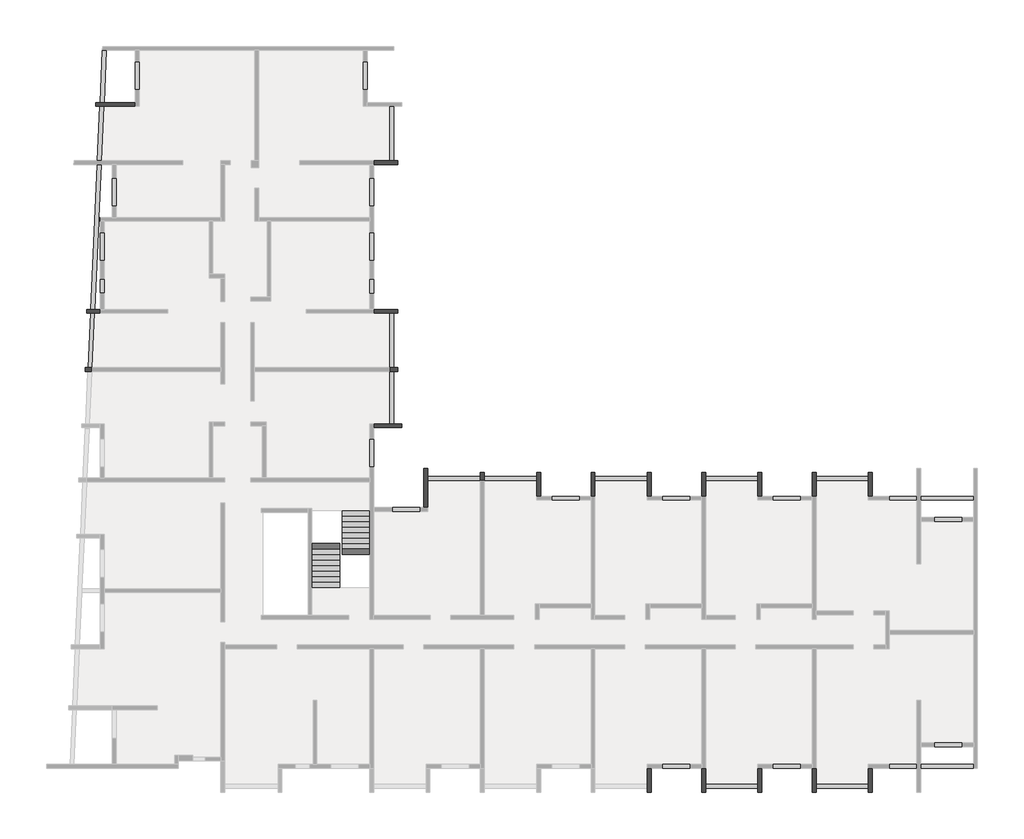
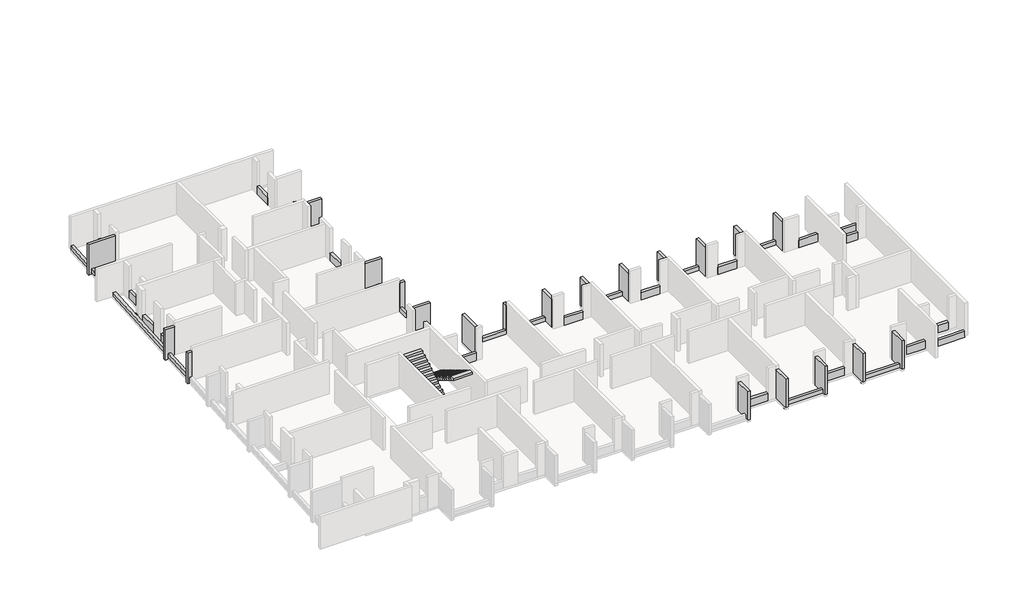
# One storey, part 4 of 4: 57 beams, 2 stair flights.
"""IFC4 building model written with IfcOpenShell, lengths in millimetres."""

from ifc_helpers import new_model, si_unit, frame, origin, place, context, project, spatial, polyline, outline, extrude, faceted_brep, element, save

model = new_model("IFC4")

# Units and contexts
model_context = context("Model", 3, world=origin())
ifc_project = project(units=[si_unit("LENGTHUNIT", "METRE", prefix="MILLI")], contexts=[model_context])

# Site, building, storey
site = spatial("IfcSite", under=ifc_project)
building = spatial("IfcBuilding", under=site)
storey = spatial("IfcBuildingStorey", under=building, Elevation=9760.0)

# Beams
placement = place(None, origin())
element("IfcBeam", 1, ObjectType="VI. 20/238", at=placement, inside=storey, context=model_context, shape_type="Brep", body=[
    faceted_brep([(-43135.6912908, 4000.9327501, 11990.0), (-43135.6912908, 4000.9327501, 9760.0), (-43135.6912908, 4000.9327501, 9610.0), (-43135.6912908, 4200.9327501, 9610.0), (-43135.6912908, 4200.9327501, 9760.0), (-43135.6912908, 4200.9327501, 11990.0), (-43830.6912908, 4000.9327501, 11990.0), (-43830.6912908, 4200.9327501, 11990.0), (-43830.6912908, 4200.9327501, 9610.0), (-43830.6912908, 4000.9327501, 9610.0)], [[[0, 1, 2, 3, 4, 5]], [[6, 7, 8, 9]], [[2, 1, 0, 6, 9]], [[3, 2, 9, 8]], [[5, 4, 3, 8, 7]], [[0, 5, 7, 6]]]),
])
element("IfcBeam", 2, ObjectType="VI. 20/238", at=placement, inside=storey, context=model_context, shape_type="Brep", body=[
    faceted_brep([(-3415.6912908, -5419.0672499, 11990.0), (-3615.6912908, -5419.0672499, 11990.0), (-3615.6912908, -5419.0672499, 9760.0), (-3415.6912908, -5419.0672499, 9760.0), (-3615.6912908, -4199.0672499, 11990.0), (-3415.6912908, -4199.0672499, 11990.0), (-3415.6912908, -4199.0672499, 9760.0), (-3615.6912908, -4199.0672499, 9760.0), (-3615.6912908, -4399.0672499, 9760.0), (-3615.6912908, -4599.0672499, 9760.0)], [[[0, 1, 2, 3]], [[4, 5, 6, 7]], [[1, 4, 7, 8, 9, 2]], [[5, 0, 3, 6]], [[1, 0, 5, 4]], [[3, 2, 9, 8, 7, 6]]]),
])
element("IfcBeam", 3, ObjectType="VI. 20/238", at=placement, inside=storey, context=model_context, shape_type="Brep", body=[
    faceted_brep([(-9105.6912908, -5419.0672499, 11990.0), (-9305.6912908, -5419.0672499, 11990.0), (-9305.6912908, -5419.0672499, 9760.0), (-9105.6912908, -5419.0672499, 9760.0), (-9305.6912908, -4199.0672499, 11990.0), (-9105.6912908, -4199.0672499, 11990.0), (-9105.6912908, -4199.0672499, 9760.0), (-9305.6912908, -4199.0672499, 9760.0), (-9305.6912908, -4399.0672499, 9760.0), (-9305.6912908, -4599.0672499, 9760.0)], [[[0, 1, 2, 3]], [[4, 5, 6, 7]], [[1, 4, 7, 8, 9, 2]], [[5, 0, 3, 6]], [[1, 0, 5, 4]], [[3, 2, 9, 8, 7, 6]]]),
])
element("IfcBeam", 4, ObjectType="VI. 20/238", at=placement, inside=storey, context=model_context, shape_type="Brep", body=[
    faceted_brep([(-20485.6912908, -5419.0672499, 11990.0), (-20685.6912908, -5419.0672499, 11990.0), (-20685.6912908, -5419.0672499, 9760.0), (-20485.6912908, -5419.0672499, 9760.0), (-20685.6912908, -4199.0672499, 11990.0), (-20485.6912908, -4199.0672499, 11990.0), (-20485.6912908, -4199.0672499, 9760.0), (-20685.6912908, -4199.0672499, 9760.0), (-20685.6912908, -4399.0672499, 9760.0), (-20685.6912908, -4399.0672499, 10060.0), (-20685.6912908, -4599.0672499, 10060.0), (-20685.6912908, -4599.0672499, 9760.0), (-20655.6912908, -4599.0672499, 10060.0), (-20655.6912908, -4399.0672499, 10060.0), (-20655.6912908, -4399.0672499, 9760.0), (-20655.6912908, -4599.0672499, 9760.0)], [[[0, 1, 2, 3]], [[4, 5, 6, 7]], [[1, 4, 7, 8, 9, 10, 11, 2]], [[5, 0, 3, 6]], [[1, 0, 5, 4]], [[12, 13, 14, 15]], [[10, 12, 15, 11]], [[13, 9, 8, 14]], [[13, 12, 10, 9]], [[3, 2, 11, 15, 14, 8, 7, 6]]]),
])
element("IfcBeam", 5, ObjectType="VI. 20/238", at=placement, inside=storey, context=model_context, shape_type="Brep", body=[
    faceted_brep([(-26495.6912908, -3999.0672499, 11990.0), (-26295.6912908, -3999.0672499, 11990.0), (-26295.6912908, -3999.0672499, 9760.0), (-26495.6912908, -3999.0672499, 9760.0), (-26295.6912908, -6004.0672499, 11990.0), (-26495.6912908, -6004.0672499, 11990.0), (-26495.6912908, -6004.0672499, 9760.0), (-26295.6912908, -6004.0672499, 9760.0), (-26295.6912908, -4599.0672499, 9760.0), (-26295.6912908, -4399.0672499, 9760.0)], [[[0, 1, 2, 3]], [[4, 5, 6, 7]], [[1, 4, 7, 8, 9, 2]], [[5, 0, 3, 6]], [[1, 0, 5, 4]], [[3, 2, 9, 8, 7, 6]]]),
])
element("IfcBeam", 6, ObjectType="VI. 20/238", at=placement, inside=storey, context=model_context, shape_type="Brep", body=[
    faceted_brep([(-14995.6912908, -4199.0672499, 11990.0), (-14795.6912908, -4199.0672499, 11990.0), (-14795.6912908, -4199.0672499, 9760.0), (-14995.6912908, -4199.0672499, 9760.0), (-14795.6912908, -5419.0672499, 11990.0), (-14995.6912908, -5419.0672499, 11990.0), (-14995.6912908, -5419.0672499, 9760.0), (-14795.6912908, -5419.0672499, 9760.0), (-14995.6912908, -4399.0672499, 9760.0), (-14995.6912908, -4399.0672499, 10060.0), (-14995.6912908, -4599.0672499, 10060.0), (-14995.6912908, -4599.0672499, 9760.0), (-14965.6912908, -4599.0672499, 10060.0), (-14965.6912908, -4399.0672499, 10060.0), (-14965.6912908, -4399.0672499, 9760.0), (-14965.6912908, -4599.0672499, 9760.0)], [[[0, 1, 2, 3]], [[4, 5, 6, 7]], [[1, 4, 7, 2]], [[5, 0, 3, 8, 9, 10, 11, 6]], [[1, 0, 5, 4]], [[12, 13, 14, 15]], [[10, 12, 15, 11]], [[13, 9, 8, 14]], [[13, 12, 10, 9]], [[3, 2, 7, 6, 11, 15, 14, 8]]]),
])
element("IfcBeam", 7, ObjectType="VI. 20/238", at=placement, inside=storey, context=model_context, shape_type="Brep", body=[
    faceted_brep([(-3615.6912908, -20669.0672499, 11990.0), (-3615.6912908, -20669.0672499, 9610.0), (-3415.6912908, -20669.0672499, 9610.0), (-3415.6912908, -20669.0672499, 11990.0), (-3615.6912908, -19419.0672499, 11990.0), (-3415.6912908, -19419.0672499, 11990.0), (-3415.6912908, -19419.0672499, 9760.0), (-3615.6912908, -19419.0672499, 9760.0), (-3615.6912908, -20249.0672499, 9760.0), (-3615.6912908, -20449.0672499, 9760.0), (-3615.6912908, -20449.0672499, 9610.0), (-3415.6912908, -20449.0672499, 9610.0), (-3415.6912908, -20449.0672499, 9760.0)], [[[0, 1, 2, 3]], [[4, 5, 6, 7]], [[1, 0, 4, 7, 8, 9, 10]], [[2, 1, 10, 11]], [[3, 2, 11, 12, 6, 5]], [[0, 3, 5, 4]], [[9, 12, 11, 10]], [[12, 9, 8, 7, 6]]]),
])
element("IfcBeam", 8, ObjectType="VI. 20/238", at=placement, inside=storey, context=model_context, shape_type="Brep", body=[
    faceted_brep([(-6505.6912908, -20669.0672499, 11990.0), (-6505.6912908, -20669.0672499, 9610.0), (-6305.6912908, -20669.0672499, 9610.0), (-6305.6912908, -20669.0672499, 11990.0), (-6505.6912908, -19419.0672499, 11990.0), (-6305.6912908, -19419.0672499, 11990.0), (-6305.6912908, -19419.0672499, 9760.0), (-6505.6912908, -19419.0672499, 9760.0), (-6505.6912908, -20449.0672499, 9760.0), (-6505.6912908, -20449.0672499, 9610.0), (-6305.6912908, -20449.0672499, 9610.0), (-6305.6912908, -20449.0672499, 9760.0), (-6305.6912908, -20249.0672499, 9760.0)], [[[0, 1, 2, 3]], [[4, 5, 6, 7]], [[1, 0, 4, 7, 8, 9]], [[2, 1, 9, 10]], [[3, 2, 10, 11, 12, 6, 5]], [[0, 3, 5, 4]], [[8, 11, 10, 9]], [[11, 8, 7, 6, 12]]]),
])
element("IfcBeam", 9, ObjectType="VI. 20/238", at=placement, inside=storey, context=model_context, shape_type="Brep", body=[
    faceted_brep([(-9305.6912908, -20669.0672499, 11990.0), (-9305.6912908, -20669.0672499, 9610.0), (-9105.6912908, -20669.0672499, 9610.0), (-9105.6912908, -20669.0672499, 11990.0), (-9305.6912908, -19419.0672499, 11990.0), (-9105.6912908, -19419.0672499, 11990.0), (-9105.6912908, -19419.0672499, 9760.0), (-9305.6912908, -19419.0672499, 9760.0), (-9305.6912908, -20249.0672499, 9760.0), (-9305.6912908, -20449.0672499, 9760.0), (-9305.6912908, -20449.0672499, 9610.0), (-9105.6912908, -20449.0672499, 9610.0), (-9105.6912908, -20449.0672499, 9760.0)], [[[0, 1, 2, 3]], [[4, 5, 6, 7]], [[1, 0, 4, 7, 8, 9, 10]], [[2, 1, 10, 11]], [[3, 2, 11, 12, 6, 5]], [[0, 3, 5, 4]], [[9, 12, 11, 10]], [[12, 9, 8, 7, 6]]]),
])
element("IfcBeam", 10, ObjectType="VI. 20/238", at=placement, inside=storey, context=model_context, shape_type="Brep", body=[
    faceted_brep([(-12195.6912908, -20669.0672499, 11990.0), (-12195.6912908, -20669.0672499, 9610.0), (-11995.6912908, -20669.0672499, 9610.0), (-11995.6912908, -20669.0672499, 11990.0), (-12195.6912908, -19419.0672499, 11990.0), (-11995.6912908, -19419.0672499, 11990.0), (-11995.6912908, -19419.0672499, 9760.0), (-12195.6912908, -19419.0672499, 9760.0), (-12195.6912908, -20449.0672499, 9760.0), (-12195.6912908, -20449.0672499, 9610.0), (-11995.6912908, -20449.0672499, 9610.0), (-11995.6912908, -20449.0672499, 9760.0), (-11995.6912908, -20249.0672499, 9760.0)], [[[0, 1, 2, 3]], [[4, 5, 6, 7]], [[1, 0, 4, 7, 8, 9]], [[2, 1, 9, 10]], [[3, 2, 10, 11, 12, 6, 5]], [[0, 3, 5, 4]], [[8, 11, 10, 9]], [[11, 8, 7, 6, 12]]]),
])
element("IfcBeam", 11, ObjectType="VI. 20/238", at=placement, inside=storey, context=model_context, shape_type="Brep", body=[
    faceted_brep([(-14995.6912908, -20669.0672499, 11990.0), (-14995.6912908, -20669.0672499, 9610.0), (-14795.6912908, -20669.0672499, 9610.0), (-14795.6912908, -20669.0672499, 11990.0), (-14995.6912908, -19419.0672499, 11990.0), (-14795.6912908, -19419.0672499, 11990.0), (-14795.6912908, -19419.0672499, 9760.0), (-14995.6912908, -19419.0672499, 9760.0), (-14995.6912908, -20249.0672499, 9760.0), (-14995.6912908, -20449.0672499, 9760.0), (-14995.6912908, -20449.0672499, 9610.0), (-14795.6912908, -20449.0672499, 9610.0), (-14795.6912908, -20449.0672499, 9760.0)], [[[0, 1, 2, 3]], [[4, 5, 6, 7]], [[1, 0, 4, 7, 8, 9, 10]], [[2, 1, 10, 11]], [[3, 2, 11, 12, 6, 5]], [[0, 3, 5, 4]], [[9, 12, 11, 10]], [[12, 9, 8, 7, 6]]]),
])
element("IfcBeam", 12, ObjectType="VI. 20/238", at=placement, inside=storey, context=model_context, shape_type="Brep", body=[
    faceted_brep([(-43355.6912908, 14650.9327501, 11990.0), (-43355.6912908, 14850.9327501, 11990.0), (-43355.6912908, 14850.9327501, 9610.0), (-43355.6912908, 14650.9327501, 9610.0), (-43152.5942526, 14650.9327501, 9610.0), (-43152.5942526, 14650.9327501, 9760.0), (-42952.3885608, 14650.9327501, 9760.0), (-41335.6912908, 14650.9327501, 9760.0), (-41335.6912908, 14650.9327501, 11990.0), (-43143.5212701, 14850.9327501, 9610.0), (-41335.6912908, 14850.9327501, 11990.0), (-41335.6912908, 14850.9327501, 9760.0), (-42943.3155784, 14850.9327501, 9760.0), (-43143.5212701, 14850.9327501, 9760.0)], [[[0, 1, 2, 3]], [[0, 3, 4, 5, 6, 7, 8]], [[3, 2, 9, 4]], [[2, 1, 10, 11, 12, 13, 9]], [[1, 0, 8, 10]], [[10, 8, 7, 11]], [[13, 5, 4, 9]], [[5, 13, 12, 11, 7, 6]]]),
])
element("IfcBeam", 13, ObjectType="VI. 20/238", at=placement, inside=storey, context=model_context, shape_type="Brep", body=[
    faceted_brep([(-27635.6912908, -1689.5482142, 11990.0), (-27635.6912908, -1889.5482142, 11990.0), (-27635.6912908, -1889.5482142, 9760.0), (-27635.6912908, -1689.5482142, 9760.0), (-29065.6912908, -1889.5482142, 11990.0), (-29065.6912908, -1689.5482142, 11990.0), (-29065.6912908, -1689.5482142, 9760.0), (-29065.6912908, -1889.5482142, 9760.0), (-28035.6912908, -1689.5482142, 9760.0), (-28235.6912908, -1689.5482142, 9760.0)], [[[0, 1, 2, 3]], [[4, 5, 6, 7]], [[5, 0, 3, 8, 9, 6]], [[1, 4, 7, 2]], [[1, 0, 5, 4]], [[3, 2, 7, 6, 9, 8]]]),
])
element("IfcBeam", 14, ObjectType="VI. 20/238", at=placement, inside=storey, context=model_context, shape_type="Brep", body=[
    faceted_brep([(-43915.6912908, 1000.9327501, 11990.0), (-43915.6912908, 1200.9327501, 11990.0), (-43915.6912908, 1200.9327501, 9610.0), (-43915.6912908, 1000.9327501, 9610.0), (-43771.8253055, 1000.9327501, 9610.0), (-43771.8253055, 1000.9327501, 9760.0), (-43571.6196137, 1000.9327501, 9760.0), (-43571.6196137, 1000.9327501, 10060.0), (-43571.6196137, 1000.9327501, 11990.0), (-43762.752323, 1200.9327501, 9610.0), (-43562.5466312, 1200.9327501, 11990.0), (-43562.5466312, 1200.9327501, 10060.0), (-43562.5466312, 1200.9327501, 9760.0), (-43762.752323, 1200.9327501, 9760.0)], [[[0, 1, 2, 3]], [[0, 3, 4, 5, 6, 7, 8]], [[3, 2, 9, 4]], [[2, 1, 10, 11, 12, 13, 9]], [[1, 0, 8, 10]], [[13, 5, 4, 9]], [[5, 13, 12, 6]], [[8, 7, 6, 12, 11, 10]]]),
])
element("IfcBeam", 15, ObjectType="VI. 20/238", at=placement, inside=storey, context=model_context, shape_type="Brep", body=[
    faceted_brep([(-27835.6912908, 1200.9327501, 11990.0), (-27835.6912908, 1000.9327501, 11990.0), (-27835.6912908, 1000.9327501, 9760.0), (-27835.6912908, 1200.9327501, 9760.0), (-28235.6912908, 1000.9327501, 11990.0), (-28235.6912908, 1200.9327501, 11990.0), (-28235.6912908, 1200.9327501, 10060.0), (-28235.6912908, 1200.9327501, 9760.0), (-28235.6912908, 1000.9327501, 9760.0), (-28235.6912908, 1000.9327501, 10060.0), (-28035.6912908, 1200.9327501, 9760.0), (-28035.6912908, 1000.9327501, 9760.0)], [[[0, 1, 2, 3]], [[4, 5, 6, 7, 8, 9]], [[5, 0, 3, 10, 7, 6]], [[1, 4, 9, 8, 11, 2]], [[1, 0, 5, 4]], [[3, 2, 11, 8, 7, 10]]]),
])
element("IfcBeam", 16, ObjectType="VI. 20/238", at=placement, inside=storey, context=model_context, shape_type="Brep", body=[
    faceted_brep([(-17885.6912908, -4199.0672499, 11990.0), (-17685.6912908, -4199.0672499, 11990.0), (-17685.6912908, -4199.0672499, 9760.0), (-17885.6912908, -4199.0672499, 9760.0), (-17685.6912908, -5419.0672499, 11990.0), (-17885.6912908, -5419.0672499, 11990.0), (-17885.6912908, -5419.0672499, 9760.0), (-17685.6912908, -5419.0672499, 9760.0), (-17685.6912908, -4599.0672499, 9760.0), (-17685.6912908, -4399.0672499, 9760.0)], [[[0, 1, 2, 3]], [[4, 5, 6, 7]], [[1, 4, 7, 8, 9, 2]], [[5, 0, 3, 6]], [[1, 0, 5, 4]], [[3, 2, 9, 8, 7, 6]]]),
])
element("IfcBeam", 17, ObjectType="VI. 20/238", at=placement, inside=storey, context=model_context, shape_type="Brep", body=[
    faceted_brep([(-6305.6912908, -5419.0672499, 11990.0), (-6505.6912908, -5419.0672499, 11990.0), (-6505.6912908, -5419.0672499, 9760.0), (-6305.6912908, -5419.0672499, 9760.0), (-6505.6912908, -4199.0672499, 11990.0), (-6305.6912908, -4199.0672499, 11990.0), (-6305.6912908, -4199.0672499, 9760.0), (-6505.6912908, -4199.0672499, 9760.0), (-6305.6912908, -4599.0672499, 9760.0), (-6305.6912908, -4399.0672499, 9760.0)], [[[0, 1, 2, 3]], [[4, 5, 6, 7]], [[1, 4, 7, 2]], [[5, 0, 3, 8, 9, 6]], [[1, 0, 5, 4]], [[3, 2, 7, 6, 9, 8]]]),
])
element("IfcBeam", 18, ObjectType="VI. 20/238", at=placement, inside=storey, context=model_context, shape_type="Brep", body=[
    faceted_brep([(-11995.6912908, -5419.0672499, 11990.0), (-12195.6912908, -5419.0672499, 11990.0), (-12195.6912908, -5419.0672499, 9760.0), (-11995.6912908, -5419.0672499, 9760.0), (-12195.6912908, -4199.0672499, 11990.0), (-11995.6912908, -4199.0672499, 11990.0), (-11995.6912908, -4199.0672499, 9760.0), (-12195.6912908, -4199.0672499, 9760.0), (-11995.6912908, -4599.0672499, 9760.0), (-11995.6912908, -4399.0672499, 9760.0)], [[[0, 1, 2, 3]], [[4, 5, 6, 7]], [[1, 4, 7, 2]], [[5, 0, 3, 8, 9, 6]], [[1, 0, 5, 4]], [[3, 2, 7, 6, 9, 8]]]),
])
element("IfcBeam", 19, ObjectType="VI. 20/238", at=placement, inside=storey, context=model_context, shape_type="Brep", body=[
    faceted_brep([(-23375.6912908, -4599.0672499, 11990.0), (-23575.6912908, -4599.0672499, 11990.0), (-23575.6912908, -4599.0672499, 10060.0), (-23575.6912908, -4599.0672499, 9760.0), (-23375.6912908, -4599.0672499, 9760.0), (-23375.6912908, -4599.0672499, 10060.0), (-23575.6912908, -4199.0672499, 11990.0), (-23375.6912908, -4199.0672499, 11990.0), (-23375.6912908, -4199.0672499, 9760.0), (-23575.6912908, -4199.0672499, 9760.0), (-23575.6912908, -4399.0672499, 9760.0), (-23375.6912908, -4399.0672499, 9760.0)], [[[0, 1, 2, 3, 4, 5]], [[6, 7, 8, 9]], [[1, 6, 9, 10, 3, 2]], [[7, 0, 5, 4, 11, 8]], [[1, 0, 7, 6]], [[4, 3, 10, 9, 8, 11]]]),
])
element("IfcBeam", 20, ObjectType="VI. 20/238", at=placement, inside=storey, context=model_context, shape_type="Brep", body=[
    faceted_brep([(-27835.6912908, 4200.9327501, 11990.0), (-27835.6912908, 4000.9327501, 11990.0), (-27835.6912908, 4000.9327501, 9760.0), (-27835.6912908, 4200.9327501, 9760.0), (-29065.6912908, 4000.9327501, 11990.0), (-29065.6912908, 4200.9327501, 11990.0), (-29065.6912908, 4200.9327501, 9760.0), (-29065.6912908, 4000.9327501, 9760.0), (-28235.6912908, 4000.9327501, 9760.0), (-28035.6912908, 4000.9327501, 9760.0)], [[[0, 1, 2, 3]], [[4, 5, 6, 7]], [[5, 0, 3, 6]], [[1, 4, 7, 8, 9, 2]], [[1, 0, 5, 4]], [[3, 2, 9, 8, 7, 6]]]),
])
element("IfcBeam", 21, ObjectType="VI. 20/238", at=placement, inside=storey, context=model_context, shape_type="Brep", body=[
    faceted_brep([(-27835.6912908, 11850.9327501, 11990.0), (-27835.6912908, 11650.9327501, 11990.0), (-27835.6912908, 11650.9327501, 9760.0), (-27835.6912908, 11850.9327501, 9760.0), (-29065.6912908, 11650.9327501, 11990.0), (-29065.6912908, 11850.9327501, 11990.0), (-29065.6912908, 11850.9327501, 9760.0), (-29065.6912908, 11650.9327501, 9760.0), (-28035.6912908, 11850.9327501, 9760.0), (-28235.6912908, 11850.9327501, 9760.0)], [[[0, 1, 2, 3]], [[4, 5, 6, 7]], [[5, 0, 3, 8, 9, 6]], [[1, 4, 7, 2]], [[1, 0, 5, 4]], [[3, 2, 7, 6, 9, 8]]]),
])
element("IfcBeam", 22, ObjectType="VI. 20/45", at=placement, inside=storey, context=model_context, shape_type="SweptSolid", body=[
    extrude(outline(polyline([(-3615.6912908, -4399.0672499), (-3615.6912908, -4599.0672499), (-6305.6912908, -4599.0672499), (-6305.6912908, -4399.0672499), (-3615.6912908, -4399.0672499)])), frame((0.0, 0.0, 9760.0), z_axis=(0.0, 0.0, 1.0), x_axis=(1.0, 0.0, 0.0)), (0.0, 0.0, 1.0), 300.0),
])
element("IfcBeam", 23, ObjectType="VI. 20/45", at=placement, inside=storey, context=model_context, shape_type="SweptSolid", body=[
    extrude(outline(polyline([(-9305.6912908, -4399.0672499), (-9305.6912908, -4599.0672499), (-11995.6912908, -4599.0672499), (-11995.6912908, -4399.0672499), (-9305.6912908, -4399.0672499)])), frame((0.0, 0.0, 9760.0), z_axis=(0.0, 0.0, 1.0), x_axis=(1.0, 0.0, 0.0)), (0.0, 0.0, 1.0), 300.0),
])
element("IfcBeam", 24, ObjectType="VI. 20/45", at=placement, inside=storey, context=model_context, shape_type="Brep", body=[
    faceted_brep([(-14965.6912908, -4399.0672499, 10060.0), (-14965.6912908, -4599.0672499, 10060.0), (-14965.6912908, -4599.0672499, 9760.0), (-14965.6912908, -4399.0672499, 9760.0), (-17685.6912908, -4599.0672499, 10060.0), (-17685.6912908, -4399.0672499, 10060.0), (-17685.6912908, -4399.0672499, 9760.0), (-17685.6912908, -4599.0672499, 9760.0), (-14995.6912908, -4599.0672499, 10060.0), (-14995.6912908, -4599.0672499, 9760.0), (-14995.6912908, -4399.0672499, 10060.0), (-14995.6912908, -4399.0672499, 9760.0)], [[[0, 1, 2, 3]], [[4, 5, 6, 7]], [[1, 8, 4, 7, 9, 2]], [[5, 10, 0, 3, 11, 6]], [[1, 0, 10, 5, 4, 8]], [[3, 2, 9, 7, 6, 11]]]),
])
element("IfcBeam", 25, ObjectType="VI. 20/45", at=placement, inside=storey, context=model_context, shape_type="Brep", body=[
    faceted_brep([(-20655.6912908, -4399.0672499, 10060.0), (-20655.6912908, -4599.0672499, 10060.0), (-20655.6912908, -4599.0672499, 9760.0), (-20655.6912908, -4399.0672499, 9760.0), (-23375.6912908, -4599.0672499, 10060.0), (-23375.6912908, -4399.0672499, 10060.0), (-23375.6912908, -4399.0672499, 9760.0), (-23375.6912908, -4599.0672499, 9760.0), (-20685.6912908, -4599.0672499, 10060.0), (-20685.6912908, -4599.0672499, 9760.0), (-20685.6912908, -4399.0672499, 10060.0), (-20685.6912908, -4399.0672499, 9760.0)], [[[0, 1, 2, 3]], [[4, 5, 6, 7]], [[1, 8, 4, 7, 9, 2]], [[5, 10, 0, 3, 11, 6]], [[1, 0, 10, 5, 4, 8]], [[3, 2, 9, 7, 6, 11]]]),
])
element("IfcBeam", 26, ObjectType="VI. 20/45", at=placement, inside=storey, context=model_context, shape_type="SweptSolid", body=[
    extrude(outline(polyline([(-23575.6912908, -4399.0672499), (-23575.6912908, -4599.0672499), (-26295.6912908, -4599.0672499), (-26295.6912908, -4399.0672499), (-23575.6912908, -4399.0672499)])), frame((0.0, 0.0, 9760.0), z_axis=(0.0, 0.0, 1.0), x_axis=(1.0, 0.0, 0.0)), (0.0, 0.0, 1.0), 300.0),
])
element("IfcBeam", 27, ObjectType="VI. 20/45", at=placement, inside=storey, context=model_context, shape_type="SweptSolid", body=[
    extrude(outline(polyline([(-6305.6912908, -20449.0672499), (-6305.6912908, -20249.0672499), (-3615.6912908, -20249.0672499), (-3615.6912908, -20449.0672499), (-6305.6912908, -20449.0672499)])), frame((0.0, 0.0, 9760.0), z_axis=(0.0, 0.0, 1.0), x_axis=(1.0, 0.0, 0.0)), (0.0, 0.0, 1.0), 300.0),
])
element("IfcBeam", 28, ObjectType="VI. 20/45", at=placement, inside=storey, context=model_context, shape_type="SweptSolid", body=[
    extrude(outline(polyline([(-9305.6912908, -20249.0672499), (-9305.6912908, -20449.0672499), (-11995.6912908, -20449.0672499), (-11995.6912908, -20249.0672499), (-9305.6912908, -20249.0672499)])), frame((0.0, 0.0, 9760.0), z_axis=(0.0, 0.0, 1.0), x_axis=(1.0, 0.0, 0.0)), (0.0, 0.0, 1.0), 300.0),
])
element("IfcBeam", 29, ObjectType="VI. 20/45", at=placement, inside=storey, context=model_context, shape_type="SweptSolid", body=[
    extrude(outline(polyline([(-28235.6912908, 14650.9327501), (-28035.6912908, 14650.9327501), (-28035.6912908, 11850.9327501), (-28235.6912908, 11850.9327501), (-28235.6912908, 14650.9327501)])), frame((0.0, 0.0, 9760.0), z_axis=(0.0, 0.0, 1.0), x_axis=(1.0, 0.0, 0.0)), (0.0, 0.0, 1.0), 300.0),
])
element("IfcBeam", 30, ObjectType="VI. 20/45", at=placement, inside=storey, context=model_context, shape_type="SweptSolid", body=[
    extrude(outline(polyline([(-28235.6912908, 4000.9327501), (-28035.6912908, 4000.9327501), (-28035.6912908, 1200.9327501), (-28235.6912908, 1200.9327501), (-28235.6912908, 4000.9327501)])), frame((0.0, 0.0, 9760.0), z_axis=(0.0, 0.0, 1.0), x_axis=(1.0, 0.0, 0.0)), (0.0, 0.0, 1.0), 300.0),
])
element("IfcBeam", 31, ObjectType="VI. 20/45", at=placement, inside=storey, context=model_context, shape_type="SweptSolid", body=[
    extrude(outline(polyline([(-28035.6912908, -1689.5482142), (-28235.6912908, -1689.5482142), (-28235.6912908, 1000.9327501), (-28035.6912908, 1000.9327501), (-28035.6912908, -1689.5482142)])), frame((0.0, 0.0, 9760.0), z_axis=(0.0, 0.0, 1.0), x_axis=(1.0, 0.0, 0.0)), (0.0, 0.0, 1.0), 300.0),
])
element("IfcBeam", 32, ObjectType="VI. 20/45", at=placement, inside=storey, context=model_context, shape_type="SweptSolid", body=[
    extrude(outline(polyline([(-42821.7376134, 17530.9327501), (-42943.3155784, 14850.9327501), (-43143.5212701, 14850.9327501), (-43021.9433052, 17530.9327501), (-42821.7376134, 17530.9327501)])), frame((0.0, 0.0, 9760.0), z_axis=(0.0, 0.0, 1.0), x_axis=(1.0, 0.0, 0.0)), (0.0, 0.0, 1.0), 300.0),
])
element("IfcBeam", 33, ObjectType="VI. 20/45", at=placement, inside=storey, context=model_context, shape_type="SweptSolid", body=[
    extrude(outline(polyline([(-43152.5942526, 14650.9327501), (-42952.3885608, 14650.9327501), (-43079.4103153, 11850.9327501), (-43279.616007, 11850.9327501), (-43152.5942526, 14650.9327501)])), frame((0.0, 0.0, 9760.0), z_axis=(0.0, 0.0, 1.0), x_axis=(1.0, 0.0, 0.0)), (0.0, 0.0, 1.0), 300.0),
])
element("IfcBeam", 34, ObjectType="VI. 20/45", at=placement, inside=storey, context=model_context, shape_type="SweptSolid", body=[
    extrude(outline(polyline([(-43135.6912908, 8730.9327501), (-43220.9488416, 8730.9327501), (-43211.8758592, 8930.9327501), (-43135.6912908, 8930.9327501), (-43135.6912908, 8730.9327501)])), frame((0.0, 0.0, 9760.0), z_axis=(0.0, 0.0, 1.0), x_axis=(1.0, 0.0, 0.0)), (0.0, 0.0, 1.0), 300.0),
])
element("IfcBeam", 35, ObjectType="VI. 20/45", at=placement, inside=storey, context=model_context, shape_type="Brep", body=[
    faceted_brep([(-43088.4832977, 11650.9327501, 10060.0), (-43211.8758592, 8930.9327501, 10060.0), (-43220.9488416, 8730.9327501, 10060.0), (-43426.4518943, 4200.9327501, 10060.0), (-43426.4518943, 4200.9327501, 9760.0), (-43220.9488416, 8730.9327501, 9760.0), (-43211.8758592, 8930.9327501, 9760.0), (-43088.4832977, 11650.9327501, 9760.0), (-43626.6575861, 4200.9327501, 10060.0), (-43288.6889895, 11650.9327501, 10060.0), (-43288.6889895, 11650.9327501, 9760.0), (-43626.6575861, 4200.9327501, 9760.0)], [[[0, 1, 2, 3, 4, 5, 6, 7]], [[8, 9, 10, 11]], [[8, 3, 2, 1, 0, 9]], [[9, 0, 7, 10]], [[3, 8, 11, 4]], [[7, 6, 5, 4, 11, 10]]]),
])
element("IfcBeam", 36, ObjectType="VI. 20/45", at=placement, inside=storey, context=model_context, shape_type="SweptSolid", body=[
    extrude(outline(polyline([(-43435.5248768, 4000.9327501), (-43562.5466312, 1200.9327501), (-43762.752323, 1200.9327501), (-43635.7305686, 4000.9327501), (-43435.5248768, 4000.9327501)])), frame((0.0, 0.0, 9760.0), z_axis=(0.0, 0.0, 1.0), x_axis=(1.0, 0.0, 0.0)), (0.0, 0.0, 1.0), 300.0),
])
element("IfcBeam", 37, ObjectType="VI. 20/47", at=placement, inside=storey, context=model_context, shape_type="Brep", body=[
    faceted_brep([(1794.3087092, -5619.0672499, 10080.0), (1794.3087092, -5619.0672499, 9610.0), (1794.3087092, -5419.0672499, 9610.0), (1794.3087092, -5419.0672499, 10080.0), (-925.6912908, -5619.0672499, 10080.0), (-925.6912908, -5419.0672499, 10080.0), (-925.6912908, -5419.0672499, 9760.0), (-925.6912908, -5419.0672499, 9610.0), (-925.6912908, -5619.0672499, 9610.0), (-925.6912908, -5619.0672499, 9760.0)], [[[0, 1, 2, 3]], [[4, 5, 6, 7, 8, 9]], [[1, 0, 4, 9, 8]], [[2, 1, 8, 7]], [[3, 2, 7, 6, 5]], [[0, 3, 5, 4]]]),
])
element("IfcBeam", 38, ObjectType="VI. 20/47", at=placement, inside=storey, context=model_context, shape_type="Brep", body=[
    faceted_brep([(1794.3087092, -19419.0672499, 10080.0), (1794.3087092, -19419.0672499, 9760.0), (1794.3087092, -19419.0672499, 9610.0), (1794.3087092, -19219.0672499, 9610.0), (1794.3087092, -19219.0672499, 10080.0), (-925.6912908, -19419.0672499, 10080.0), (-925.6912908, -19219.0672499, 10080.0), (-925.6912908, -19219.0672499, 9760.0), (-925.6912908, -19219.0672499, 9610.0), (-925.6912908, -19419.0672499, 9610.0), (-925.6912908, -19419.0672499, 9760.0)], [[[0, 1, 2, 3, 4]], [[5, 6, 7, 8, 9, 10]], [[2, 1, 0, 5, 10, 9]], [[3, 2, 9, 8]], [[4, 3, 8, 7, 6]], [[0, 4, 6, 5]]]),
])
element("IfcBeam", 39, ObjectType="VI. 20/75", at=placement, inside=storey, context=model_context, shape_type="SweptSolid", body=[
    extrude(outline(polyline([(1189.3087092, -6519.0672499), (1189.3087092, -6719.0672499), (-200.6912908, -6719.0672499), (-200.6912908, -6519.0672499), (1189.3087092, -6519.0672499)])), frame((0.0, 0.0, 9760.0), z_axis=(0.0, 0.0, 1.0), x_axis=(1.0, 0.0, 0.0)), (0.0, 0.0, 1.0), 600.0),
])
element("IfcBeam", 40, ObjectType="VI. 20/75", at=placement, inside=storey, context=model_context, shape_type="SweptSolid", body=[
    extrude(outline(polyline([(-1125.6912908, -5419.0672499), (-1125.6912908, -5619.0672499), (-2545.6912908, -5619.0672499), (-2545.6912908, -5419.0672499), (-1125.6912908, -5419.0672499)])), frame((0.0, 0.0, 9760.0), z_axis=(0.0, 0.0, 1.0), x_axis=(1.0, 0.0, 0.0)), (0.0, 0.0, 1.0), 600.0),
])
element("IfcBeam", 41, ObjectType="VI. 20/75", at=placement, inside=storey, context=model_context, shape_type="SweptSolid", body=[
    extrude(outline(polyline([(1189.3087092, -18119.0672499), (1189.3087092, -18319.0672499), (-200.6912908, -18319.0672499), (-200.6912908, -18119.0672499), (1189.3087092, -18119.0672499)])), frame((0.0, 0.0, 9760.0), z_axis=(0.0, 0.0, 1.0), x_axis=(1.0, 0.0, 0.0)), (0.0, 0.0, 1.0), 600.0),
])
element("IfcBeam", 42, ObjectType="VI. 20/75", at=placement, inside=storey, context=model_context, shape_type="SweptSolid", body=[
    extrude(outline(polyline([(-1125.6912908, -19219.0672499), (-1125.6912908, -19419.0672499), (-2545.6912908, -19419.0672499), (-2545.6912908, -19219.0672499), (-1125.6912908, -19219.0672499)])), frame((0.0, 0.0, 9760.0), z_axis=(0.0, 0.0, 1.0), x_axis=(1.0, 0.0, 0.0)), (0.0, 0.0, 1.0), 600.0),
])
element("IfcBeam", 43, ObjectType="VI. 20/75", at=placement, inside=storey, context=model_context, shape_type="SweptSolid", body=[
    extrude(outline(polyline([(-7085.6912908, -5419.0672499), (-7085.6912908, -5619.0672499), (-8525.6912908, -5619.0672499), (-8525.6912908, -5419.0672499), (-7085.6912908, -5419.0672499)])), frame((0.0, 0.0, 9760.0), z_axis=(0.0, 0.0, 1.0), x_axis=(1.0, 0.0, 0.0)), (0.0, 0.0, 1.0), 600.0),
])
element("IfcBeam", 44, ObjectType="VI. 20/75", at=placement, inside=storey, context=model_context, shape_type="SweptSolid", body=[
    extrude(outline(polyline([(-7085.6912908, -19219.0672499), (-7085.6912908, -19419.0672499), (-8525.6912908, -19419.0672499), (-8525.6912908, -19219.0672499), (-7085.6912908, -19219.0672499)])), frame((0.0, 0.0, 9760.0), z_axis=(0.0, 0.0, 1.0), x_axis=(1.0, 0.0, 0.0)), (0.0, 0.0, 1.0), 600.0),
])
element("IfcBeam", 45, ObjectType="VI. 20/75", at=placement, inside=storey, context=model_context, shape_type="SweptSolid", body=[
    extrude(outline(polyline([(-12775.6912908, -19219.0672499), (-12775.6912908, -19419.0672499), (-14215.6912908, -19419.0672499), (-14215.6912908, -19219.0672499), (-12775.6912908, -19219.0672499)])), frame((0.0, 0.0, 9760.0), z_axis=(0.0, 0.0, 1.0), x_axis=(1.0, 0.0, 0.0)), (0.0, 0.0, 1.0), 600.0),
])
element("IfcBeam", 46, ObjectType="VI. 20/75", at=placement, inside=storey, context=model_context, shape_type="SweptSolid", body=[
    extrude(outline(polyline([(-41135.6912908, 15510.9327501), (-41335.6912908, 15510.9327501), (-41335.6912908, 16950.9327501), (-41135.6912908, 16950.9327501), (-41135.6912908, 15510.9327501)])), frame((0.0, 0.0, 9760.0), z_axis=(0.0, 0.0, 1.0), x_axis=(1.0, 0.0, 0.0)), (0.0, 0.0, 1.0), 600.0),
])
element("IfcBeam", 47, ObjectType="VI. 20/75", at=placement, inside=storey, context=model_context, shape_type="SweptSolid", body=[
    extrude(outline(polyline([(-42525.6912908, 10950.9327501), (-42325.6912908, 10950.9327501), (-42325.6912908, 9510.9327501), (-42525.6912908, 9510.9327501), (-42525.6912908, 10950.9327501)])), frame((0.0, 0.0, 9760.0), z_axis=(0.0, 0.0, 1.0), x_axis=(1.0, 0.0, 0.0)), (0.0, 0.0, 1.0), 600.0),
])
element("IfcBeam", 48, ObjectType="VI. 20/75", at=placement, inside=storey, context=model_context, shape_type="SweptSolid", body=[
    extrude(outline(polyline([(-29265.6912908, 8150.9327501), (-29065.6912908, 8150.9327501), (-29065.6912908, 6710.9327501), (-29265.6912908, 6710.9327501), (-29265.6912908, 8150.9327501)])), frame((0.0, 0.0, 9760.0), z_axis=(0.0, 0.0, 1.0), x_axis=(1.0, 0.0, 0.0)), (0.0, 0.0, 1.0), 600.0),
])
element("IfcBeam", 49, ObjectType="VI. 20/75", at=placement, inside=storey, context=model_context, shape_type="SweptSolid", body=[
    extrude(outline(polyline([(-29065.6912908, -3909.0672499), (-29265.6912908, -3909.0672499), (-29265.6912908, -2469.0672499), (-29065.6912908, -2469.0672499), (-29065.6912908, -3909.0672499)])), frame((0.0, 0.0, 9760.0), z_axis=(0.0, 0.0, 1.0), x_axis=(1.0, 0.0, 0.0)), (0.0, 0.0, 1.0), 600.0),
])
element("IfcBeam", 50, ObjectType="VI. 20/75", at=placement, inside=storey, context=model_context, shape_type="SweptSolid", body=[
    extrude(outline(polyline([(-42935.6912908, 6710.9327501), (-43135.6912908, 6710.9327501), (-43135.6912908, 8150.9327501), (-42935.6912908, 8150.9327501), (-42935.6912908, 6710.9327501)])), frame((0.0, 0.0, 9760.0), z_axis=(0.0, 0.0, 1.0), x_axis=(1.0, 0.0, 0.0)), (0.0, 0.0, 1.0), 600.0),
])
element("IfcBeam", 51, ObjectType="VI. 20/75", at=placement, inside=storey, context=model_context, shape_type="SweptSolid", body=[
    extrude(outline(polyline([(-12775.6912908, -5419.0672499), (-12775.6912908, -5619.0672499), (-14215.6912908, -5619.0672499), (-14215.6912908, -5419.0672499), (-12775.6912908, -5419.0672499)])), frame((0.0, 0.0, 9760.0), z_axis=(0.0, 0.0, 1.0), x_axis=(1.0, 0.0, 0.0)), (0.0, 0.0, 1.0), 600.0),
])
element("IfcBeam", 52, ObjectType="VI. 20/75", at=placement, inside=storey, context=model_context, shape_type="SweptSolid", body=[
    extrude(outline(polyline([(-18465.6912908, -5419.0672499), (-18465.6912908, -5619.0672499), (-19905.6912908, -5619.0672499), (-19905.6912908, -5419.0672499), (-18465.6912908, -5419.0672499)])), frame((0.0, 0.0, 9760.0), z_axis=(0.0, 0.0, 1.0), x_axis=(1.0, 0.0, 0.0)), (0.0, 0.0, 1.0), 600.0),
])
element("IfcBeam", 53, ObjectType="VI. 20/75", at=placement, inside=storey, context=model_context, shape_type="SweptSolid", body=[
    extrude(outline(polyline([(-26675.6912908, -6004.0672499), (-26675.6912908, -6204.0672499), (-28115.6912908, -6204.0672499), (-28115.6912908, -6004.0672499), (-26675.6912908, -6004.0672499)])), frame((0.0, 0.0, 9760.0), z_axis=(0.0, 0.0, 1.0), x_axis=(1.0, 0.0, 0.0)), (0.0, 0.0, 1.0), 600.0),
])
element("IfcBeam", 54, ObjectType="VI. 20/75", at=placement, inside=storey, context=model_context, shape_type="SweptSolid", body=[
    extrude(outline(polyline([(-42935.6912908, 5030.9327501), (-43135.6912908, 5030.9327501), (-43135.6912908, 5770.9327501), (-42935.6912908, 5770.9327501), (-42935.6912908, 5030.9327501)])), frame((0.0, 0.0, 9760.0), z_axis=(0.0, 0.0, 1.0), x_axis=(1.0, 0.0, 0.0)), (0.0, 0.0, 1.0), 600.0),
])
element("IfcBeam", 55, ObjectType="VI. 20/75", at=placement, inside=storey, context=model_context, shape_type="SweptSolid", body=[
    extrude(outline(polyline([(-29265.6912908, 5760.9327501), (-29065.6912908, 5760.9327501), (-29065.6912908, 5020.9327501), (-29265.6912908, 5020.9327501), (-29265.6912908, 5760.9327501)])), frame((0.0, 0.0, 9760.0), z_axis=(0.0, 0.0, 1.0), x_axis=(1.0, 0.0, 0.0)), (0.0, 0.0, 1.0), 600.0),
])
element("IfcBeam", 56, ObjectType="VI. 20/75", at=placement, inside=storey, context=model_context, shape_type="SweptSolid", body=[
    extrude(outline(polyline([(-29265.6912908, 10925.9327501), (-29065.6912908, 10925.9327501), (-29065.6912908, 9535.9327501), (-29265.6912908, 9535.9327501), (-29265.6912908, 10925.9327501)])), frame((0.0, 0.0, 9760.0), z_axis=(0.0, 0.0, 1.0), x_axis=(1.0, 0.0, 0.0)), (0.0, 0.0, 1.0), 600.0),
])
element("IfcBeam", 57, ObjectType="VI. 20/75", at=placement, inside=storey, context=model_context, shape_type="SweptSolid", body=[
    extrude(outline(polyline([(-29595.6912908, 16950.9327501), (-29395.6912908, 16950.9327501), (-29395.6912908, 15510.9327501), (-29595.6912908, 15510.9327501), (-29595.6912908, 16950.9327501)])), frame((0.0, 0.0, 9760.0), z_axis=(0.0, 0.0, 1.0), x_axis=(1.0, 0.0, 0.0)), (0.0, 0.0, 1.0), 600.0),
])

# Stair flights
element("IfcStairFlight", 58, at=placement, inside=storey, context=model_context, shape_type="Brep", body=[
    faceted_brep([(-32245.6912908, -9824.0672499, 9928.6666667), (-32245.6912908, -10104.0672499, 9928.6666667), (-30815.6912908, -10104.0672499, 9928.6666667), (-30815.6912908, -9824.0672499, 9928.6666667), (-30815.6912908, -10104.0672499, 9760.0), (-30815.6912908, -9852.1266309, 9760.0), (-30815.6912908, -9824.0672499, 9776.9024366), (-32245.6912908, -10104.0672499, 9760.0), (-32245.6912908, -9824.0672499, 9776.9024366), (-32245.6912908, -9852.1266309, 9760.0), (-32245.6912908, -9544.0672499, 10097.3333333), (-32245.6912908, -9824.0672499, 10097.3333333), (-30815.6912908, -9824.0672499, 10097.3333333), (-30815.6912908, -9544.0672499, 10097.3333333), (-30815.6912908, -9544.0672499, 9945.5691033), (-32245.6912908, -9544.0672499, 9945.5691033), (-32245.6912908, -9264.0672499, 10266.0), (-32245.6912908, -9544.0672499, 10266.0), (-30815.6912908, -9544.0672499, 10266.0), (-30815.6912908, -9264.0672499, 10266.0), (-30815.6912908, -9264.0672499, 10114.23577), (-32245.6912908, -9264.0672499, 10114.23577), (-32245.6912908, -8984.0672499, 10434.6666667), (-32245.6912908, -9264.0672499, 10434.6666667), (-30815.6912908, -9264.0672499, 10434.6666667), (-30815.6912908, -8984.0672499, 10434.6666667), (-30815.6912908, -8984.0672499, 10282.9024366), (-32245.6912908, -8984.0672499, 10282.9024366), (-32245.6912908, -8704.0672499, 10603.3333333), (-32245.6912908, -8984.0672499, 10603.3333333), (-30815.6912908, -8984.0672499, 10603.3333333), (-30815.6912908, -8704.0672499, 10603.3333333), (-30815.6912908, -8704.0672499, 10451.5691033), (-32245.6912908, -8704.0672499, 10451.5691033), (-32245.6912908, -8424.0672499, 10772.0), (-32245.6912908, -8704.0672499, 10772.0), (-30815.6912908, -8704.0672499, 10772.0), (-30815.6912908, -8424.0672499, 10772.0), (-30815.6912908, -8424.0672499, 10620.23577), (-32245.6912908, -8424.0672499, 10620.23577), (-32245.6912908, -8144.0672499, 10940.6666667), (-32245.6912908, -8424.0672499, 10940.6666667), (-30815.6912908, -8424.0672499, 10940.6666667), (-30815.6912908, -8144.0672499, 10940.6666667), (-30815.6912908, -8144.0672499, 10788.9024366), (-32245.6912908, -8144.0672499, 10788.9024366), (-32245.6912908, -7864.0672499, 11109.3333333), (-32245.6912908, -8144.0672499, 11109.3333333), (-30815.6912908, -8144.0672499, 11109.3333333), (-30815.6912908, -7864.0672499, 11109.3333333), (-30815.6912908, -7864.0672499, 10957.5691033), (-32245.6912908, -7864.0672499, 10957.5691033), (-32245.6912908, -7584.0672499, 11278.0), (-32245.6912908, -7864.0672499, 11278.0), (-30815.6912908, -7864.0672499, 11278.0), (-30815.6912908, -7584.0672499, 11278.0), (-30815.6912908, -7584.0672499, 11126.23577), (-32245.6912908, -7584.0672499, 11126.23577), (-32245.6912908, -7304.0672499, 11446.6666667), (-32245.6912908, -7584.0672499, 11446.6666667), (-30815.6912908, -7584.0672499, 11446.6666667), (-30815.6912908, -7304.0672499, 11446.6666667), (-30815.6912908, -7304.0672499, 11294.9024366), (-32245.6912908, -7304.0672499, 11294.9024366), (-32245.6912908, -7024.0672499, 11615.3333333), (-32245.6912908, -7304.0672499, 11615.3333333), (-30815.6912908, -7304.0672499, 11615.3333333), (-30815.6912908, -7024.0672499, 11615.3333333), (-30815.6912908, -7024.0672499, 11463.5691033), (-32245.6912908, -7024.0672499, 11463.5691033), (-32245.6912908, -6744.0672499, 11784.0), (-32245.6912908, -7024.0672499, 11784.0), (-30815.6912908, -7024.0672499, 11784.0), (-30815.6912908, -6744.0672499, 11784.0), (-30815.6912908, -6744.0672499, 11632.23577), (-32245.6912908, -6744.0672499, 11632.23577), (-32245.6912908, -6464.0672499, 11952.6666667), (-32245.6912908, -6744.0672499, 11952.6666667), (-30815.6912908, -6744.0672499, 11952.6666667), (-30815.6912908, -6464.0672499, 11952.6666667), (-30815.6912908, -6464.0672499, 11800.9024366), (-32245.6912908, -6464.0672499, 11800.9024366), (-32245.6912908, -6184.0672499, 12121.3333333), (-32245.6912908, -6464.0672499, 12121.3333333), (-30815.6912908, -6464.0672499, 12121.3333333), (-30815.6912908, -6184.0672499, 12121.3333333), (-30815.6912908, -6184.0672499, 11969.5691033), (-32245.6912908, -6184.0672499, 11969.5691033)], [[[0, 1, 2, 3]], [[3, 2, 4, 5, 6]], [[2, 1, 7, 4]], [[1, 0, 8, 9, 7]], [[10, 11, 12, 13]], [[13, 12, 3, 6, 14]], [[0, 3, 12, 11]], [[11, 10, 15, 8, 0]], [[16, 17, 18, 19]], [[19, 18, 13, 14, 20]], [[10, 13, 18, 17]], [[17, 16, 21, 15, 10]], [[22, 23, 24, 25]], [[25, 24, 19, 20, 26]], [[16, 19, 24, 23]], [[23, 22, 27, 21, 16]], [[28, 29, 30, 31]], [[31, 30, 25, 26, 32]], [[22, 25, 30, 29]], [[29, 28, 33, 27, 22]], [[34, 35, 36, 37]], [[37, 36, 31, 32, 38]], [[28, 31, 36, 35]], [[35, 34, 39, 33, 28]], [[40, 41, 42, 43]], [[43, 42, 37, 38, 44]], [[34, 37, 42, 41]], [[41, 40, 45, 39, 34]], [[46, 47, 48, 49]], [[49, 48, 43, 44, 50]], [[40, 43, 48, 47]], [[47, 46, 51, 45, 40]], [[52, 53, 54, 55]], [[55, 54, 49, 50, 56]], [[46, 49, 54, 53]], [[53, 52, 57, 51, 46]], [[58, 59, 60, 61]], [[61, 60, 55, 56, 62]], [[52, 55, 60, 59]], [[59, 58, 63, 57, 52]], [[64, 65, 66, 67]], [[67, 66, 61, 62, 68]], [[58, 61, 66, 65]], [[65, 64, 69, 63, 58]], [[70, 71, 72, 73]], [[73, 72, 67, 68, 74]], [[64, 67, 72, 71]], [[71, 70, 75, 69, 64]], [[76, 77, 78, 79]], [[79, 78, 73, 74, 80]], [[70, 73, 78, 77]], [[77, 76, 81, 75, 70]], [[82, 83, 84, 85]], [[85, 84, 79, 80, 86]], [[76, 79, 84, 83]], [[83, 82, 87, 81, 76]], [[82, 85, 86, 87]], [[4, 7, 9, 5]], [[5, 9, 8, 15, 21, 27, 33, 39, 45, 51, 57, 63, 69, 75, 81, 87, 86, 80, 74, 68, 62, 56, 50, 44, 38, 32, 26, 20, 14, 6]]]),
])
element("IfcStairFlight", 59, at=placement, inside=storey, context=model_context, shape_type="Brep", body=[
    faceted_brep([(-29265.6912908, -6464.0672499, 9928.6666667), (-29265.6912908, -6184.0672499, 9928.6666667), (-30695.6912908, -6184.0672499, 9928.6666667), (-30695.6912908, -6464.0672499, 9928.6666667), (-29265.6912908, -6464.0672499, 9776.9024366), (-29265.6912908, -6436.0078689, 9760.0), (-29265.6912908, -6184.0672499, 9760.0), (-30695.6912908, -6184.0672499, 9760.0), (-30695.6912908, -6436.0078689, 9760.0), (-30695.6912908, -6464.0672499, 9776.9024366), (-29265.6912908, -6744.0672499, 10097.3333333), (-29265.6912908, -6464.0672499, 10097.3333333), (-30695.6912908, -6464.0672499, 10097.3333333), (-30695.6912908, -6744.0672499, 10097.3333333), (-29265.6912908, -6744.0672499, 9945.5691033), (-30695.6912908, -6744.0672499, 9945.5691033), (-29265.6912908, -7024.0672499, 10266.0), (-29265.6912908, -6744.0672499, 10266.0), (-30695.6912908, -6744.0672499, 10266.0), (-30695.6912908, -7024.0672499, 10266.0), (-29265.6912908, -7024.0672499, 10114.23577), (-30695.6912908, -7024.0672499, 10114.23577), (-29265.6912908, -7304.0672499, 10434.6666667), (-29265.6912908, -7024.0672499, 10434.6666667), (-30695.6912908, -7024.0672499, 10434.6666667), (-30695.6912908, -7304.0672499, 10434.6666667), (-29265.6912908, -7304.0672499, 10282.9024366), (-30695.6912908, -7304.0672499, 10282.9024366), (-29265.6912908, -7584.0672499, 10603.3333333), (-29265.6912908, -7304.0672499, 10603.3333333), (-30695.6912908, -7304.0672499, 10603.3333333), (-30695.6912908, -7584.0672499, 10603.3333333), (-29265.6912908, -7584.0672499, 10451.5691033), (-30695.6912908, -7584.0672499, 10451.5691033), (-29265.6912908, -7864.0672499, 10772.0), (-29265.6912908, -7584.0672499, 10772.0), (-30695.6912908, -7584.0672499, 10772.0), (-30695.6912908, -7864.0672499, 10772.0), (-29265.6912908, -7864.0672499, 10620.23577), (-30695.6912908, -7864.0672499, 10620.23577), (-29265.6912908, -8144.0672499, 10940.6666667), (-29265.6912908, -7864.0672499, 10940.6666667), (-30695.6912908, -7864.0672499, 10940.6666667), (-30695.6912908, -8144.0672499, 10940.6666667), (-29265.6912908, -8144.0672499, 10788.9024366), (-30695.6912908, -8144.0672499, 10788.9024366), (-29265.6912908, -8424.0672499, 11109.3333333), (-29265.6912908, -8144.0672499, 11109.3333333), (-30695.6912908, -8144.0672499, 11109.3333333), (-30695.6912908, -8424.0672499, 11109.3333333), (-29265.6912908, -8424.0672499, 10957.5691033), (-30695.6912908, -8424.0672499, 10957.5691033), (-29265.6912908, -8704.0672499, 11278.0), (-29265.6912908, -8424.0672499, 11278.0), (-30695.6912908, -8424.0672499, 11278.0), (-30695.6912908, -8704.0672499, 11278.0), (-29265.6912908, -8704.0672499, 11126.23577), (-30695.6912908, -8704.0672499, 11126.23577), (-29265.6912908, -8984.0672499, 11446.6666667), (-29265.6912908, -8704.0672499, 11446.6666667), (-30695.6912908, -8704.0672499, 11446.6666667), (-30695.6912908, -8984.0672499, 11446.6666667), (-29265.6912908, -8984.0672499, 11294.9024366), (-30695.6912908, -8984.0672499, 11294.9024366), (-29265.6912908, -9264.0672499, 11615.3333333), (-29265.6912908, -8984.0672499, 11615.3333333), (-30695.6912908, -8984.0672499, 11615.3333333), (-30695.6912908, -9264.0672499, 11615.3333333), (-29265.6912908, -9264.0672499, 11463.5691033), (-30695.6912908, -9264.0672499, 11463.5691033), (-29265.6912908, -9544.0672499, 11784.0), (-29265.6912908, -9264.0672499, 11784.0), (-30695.6912908, -9264.0672499, 11784.0), (-30695.6912908, -9544.0672499, 11784.0), (-29265.6912908, -9544.0672499, 11632.23577), (-30695.6912908, -9544.0672499, 11632.23577), (-29265.6912908, -9824.0672499, 11952.6666667), (-29265.6912908, -9544.0672499, 11952.6666667), (-30695.6912908, -9544.0672499, 11952.6666667), (-30695.6912908, -9824.0672499, 11952.6666667), (-29265.6912908, -9824.0672499, 11800.9024366), (-30695.6912908, -9824.0672499, 11800.9024366), (-29265.6912908, -10104.0672499, 12121.3333333), (-29265.6912908, -9824.0672499, 12121.3333333), (-30695.6912908, -9824.0672499, 12121.3333333), (-30695.6912908, -10104.0672499, 12121.3333333), (-29265.6912908, -10104.0672499, 11969.5691033), (-30695.6912908, -10104.0672499, 11969.5691033)], [[[0, 1, 2, 3]], [[1, 0, 4, 5, 6]], [[2, 1, 6, 7]], [[3, 2, 7, 8, 9]], [[10, 11, 12, 13]], [[11, 10, 14, 4, 0]], [[0, 3, 12, 11]], [[13, 12, 3, 9, 15]], [[16, 17, 18, 19]], [[17, 16, 20, 14, 10]], [[10, 13, 18, 17]], [[19, 18, 13, 15, 21]], [[22, 23, 24, 25]], [[23, 22, 26, 20, 16]], [[16, 19, 24, 23]], [[25, 24, 19, 21, 27]], [[28, 29, 30, 31]], [[29, 28, 32, 26, 22]], [[22, 25, 30, 29]], [[31, 30, 25, 27, 33]], [[34, 35, 36, 37]], [[35, 34, 38, 32, 28]], [[28, 31, 36, 35]], [[37, 36, 31, 33, 39]], [[40, 41, 42, 43]], [[41, 40, 44, 38, 34]], [[34, 37, 42, 41]], [[43, 42, 37, 39, 45]], [[46, 47, 48, 49]], [[47, 46, 50, 44, 40]], [[40, 43, 48, 47]], [[49, 48, 43, 45, 51]], [[52, 53, 54, 55]], [[53, 52, 56, 50, 46]], [[46, 49, 54, 53]], [[55, 54, 49, 51, 57]], [[58, 59, 60, 61]], [[59, 58, 62, 56, 52]], [[52, 55, 60, 59]], [[61, 60, 55, 57, 63]], [[64, 65, 66, 67]], [[65, 64, 68, 62, 58]], [[58, 61, 66, 65]], [[67, 66, 61, 63, 69]], [[70, 71, 72, 73]], [[71, 70, 74, 68, 64]], [[64, 67, 72, 71]], [[73, 72, 67, 69, 75]], [[76, 77, 78, 79]], [[77, 76, 80, 74, 70]], [[70, 73, 78, 77]], [[79, 78, 73, 75, 81]], [[82, 83, 84, 85]], [[83, 82, 86, 80, 76]], [[76, 79, 84, 83]], [[85, 84, 79, 81, 87]], [[82, 85, 87, 86]], [[7, 6, 5, 8]], [[8, 5, 4, 14, 20, 26, 32, 38, 44, 50, 56, 62, 68, 74, 80, 86, 87, 81, 75, 69, 63, 57, 51, 45, 39, 33, 27, 21, 15, 9]]]),
])

save(model, "model.ifc")
